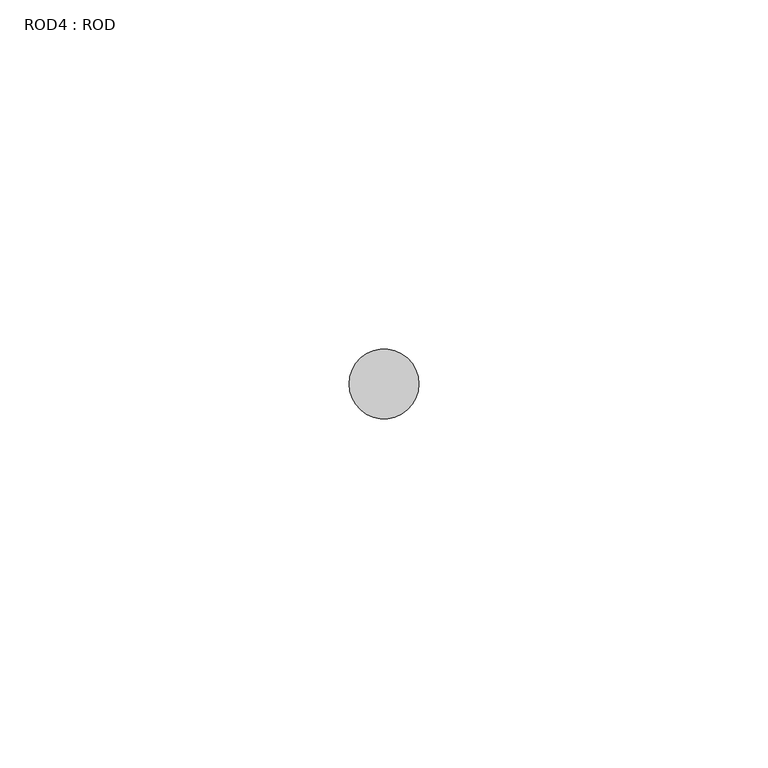
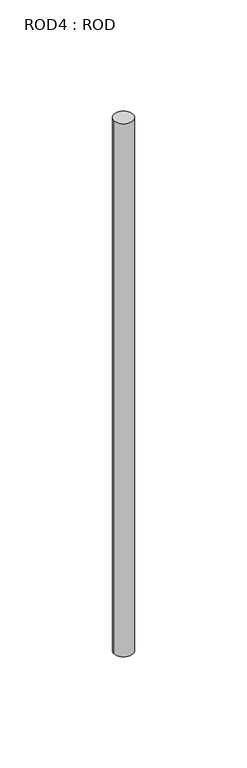
"""IFC4 building model written with IfcOpenShell, lengths in millimetres: proxy geometry, ROD4 : ROD."""

from ifc_helpers import new_model, si_unit, point, frame, frame_2d, origin, place, context, project, spatial, circle_curve, trimmed, segment, composite_curve, outline, extrude, source, transform, mapped, element, save


def rod4_rod_81acfb05(model_context):
    return source(origin(), model_context, "Body", "SweptSolid", [
        extrude(outline(composite_curve([segment(trimmed(circle_curve(frame_2d((-3800.2326676, 833.3971576)), 5.0), [point((-3805.2326676, 833.3971576))], [point((-3795.2326676, 833.3971576))], False, "CARTESIAN"), True, "CONTINUOUS"), segment(trimmed(circle_curve(frame_2d((-3800.2326676, 833.3971576)), 5.0), [point((-3795.2326676, 833.3971576))], [point((-3805.2326676, 833.3971576))], False, "CARTESIAN"), True, "CONTINUOUS")], self_intersect=False)), frame((0.0, 0.0, -108.6608845), z_axis=(0.0, 0.0, 1.0), x_axis=(1.0, 0.0, 0.0)), (0.0, 0.0, 1.0), 298.9028972),
    ])


if __name__ == "__main__":
    model = new_model("IFC4")
    model_context = context("Model", 3, world=origin())
    ifc_project = project(units=[si_unit("LENGTHUNIT", "METRE", prefix="MILLI")], contexts=[model_context])
    site = spatial("IfcSite", under=ifc_project)
    building = spatial("IfcBuilding", under=site)
    placement = place(None, origin())
    rod4_rod_shape = rod4_rod_81acfb05(model_context)
    element("IfcBuildingElementProxy", 1, Name="ROD4 : ROD", ObjectType="ROD4 : ROD", at=placement, inside=building, context=model_context, shape_type="MappedRepresentation", body=[
        mapped(rod4_rod_shape, transform((0.0, 0.0, 0.0), x_axis=(1.0, 0.0, 0.0), y_axis=(0.0, 1.0, 0.0), z_axis=(0.0, 0.0, 1.0))),
    ])
    save(model, "model.ifc")
